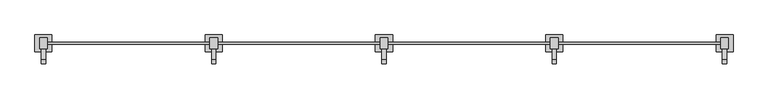
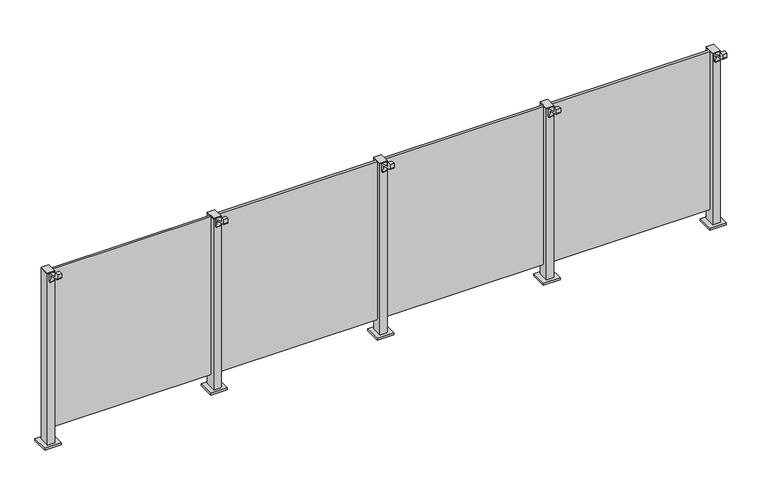
"""IFC4 building model written with IfcOpenShell, lengths in millimetres: railing geometry."""

from ifc_helpers import new_model, si_unit, point, frame, frame_2d, origin, origin_with_axes, place, context, project, spatial, polyline, circle_curve, trimmed, segment, composite_curve, outline, extrude, source, transform, mapped, element, save


def railing_324cd3ab(model_context):
    return source(origin(), model_context, "Body", "SweptSolid", [
        extrude(outline(polyline([(39010.0, 2507.5598727), (39990.0, 2507.5598727), (39990.0, 2494.3598727), (39010.0, 2494.3598727), (39010.0, 2507.5598727)])), frame((0.0, 0.0, 95.0), z_axis=(0.0, 0.0, 1.0), x_axis=(1.0, 0.0, 0.0)), (0.0, 0.0, 1.0), 1005.0),
        extrude(outline(composite_curve([segment(polyline([(2379.6846828, 1145.0), (2403.6846828, 1145.0), (2403.6846828, 1117.1487483), (2467.6846828, 1100.0), (2467.6846828, 1050.0), (2459.0523072, 1050.0)]), True, "CONTINUOUS"), segment(trimmed(circle_curve(frame_2d((2459.0523072, 1053.0)), 3.0), [point((2459.0523072, 1050.0))], [point((2456.0779726, 1052.6084214))], False, "CARTESIAN"), True, "CONTINUOUS"), segment(polyline([(2456.0779726, 1052.6084214), (2451.4711505, 1087.6007097)]), True, "CONTINUOUS"), segment(trimmed(circle_curve(frame_2d((2441.5567019, 1086.2954478)), 10.0), [point((2451.4711505, 1087.6007097))], [point((2444.1448923, 1095.9547061))], True, "CARTESIAN"), True, "CONTINUOUS"), segment(polyline([(2444.1448923, 1095.9547061), (2387.0964924, 1111.2407787)]), True, "CONTINUOUS"), segment(trimmed(circle_curve(frame_2d((2389.6846828, 1120.900037)), 10.0), [point((2387.0964924, 1111.2407787))], [point((2379.6846828, 1120.900037))], False, "CARTESIAN"), True, "CONTINUOUS"), segment(polyline([(2379.6846828, 1120.900037), (2379.6846828, 1145.0)]), True, "CONTINUOUS")], self_intersect=False)), frame((38987.5, 0.0, 0.0), z_axis=(1.0, 0.0, 0.0), x_axis=(0.0, 1.0, 0.0)), (0.0, 0.0, 1.0), 25.0),
        extrude(outline(polyline([(39022.5, 2467.6846828), (38977.5, 2467.6846828), (38977.5, 2532.6846828), (39022.5, 2532.6846828), (39022.5, 2467.6846828)])), frame((0.0, 0.0, 1100.0), z_axis=(0.0, 0.0, 1.0), x_axis=(1.0, 0.0, 0.0)), (0.0, 0.0, 1.0), 5.0),
        extrude(outline(polyline([(39050.0, 2450.1846828), (38950.0, 2450.1846828), (38950.0, 2550.1846828), (39050.0, 2550.1846828), (39050.0, 2450.1846828)])), origin_with_axes(), (0.0, 0.0, 1.0), 12.0),
        extrude(outline(polyline([(39022.5, 2467.6846828), (38977.5, 2467.6846828), (38977.5, 2532.6846828), (39022.5, 2532.6846828), (39022.5, 2467.6846828)])), frame((0.0, 0.0, 12.0), z_axis=(0.0, 0.0, 1.0), x_axis=(1.0, 0.0, 0.0)), (0.0, 0.0, 1.0), 1088.0),
        extrude(outline(polyline([(38010.0, 2507.5598727), (38990.0, 2507.5598727), (38990.0, 2494.3598727), (38010.0, 2494.3598727), (38010.0, 2507.5598727)])), frame((0.0, 0.0, 95.0), z_axis=(0.0, 0.0, 1.0), x_axis=(1.0, 0.0, 0.0)), (0.0, 0.0, 1.0), 1005.0),
        extrude(outline(composite_curve([segment(polyline([(2379.6846828, 1145.0), (2403.6846828, 1145.0), (2403.6846828, 1117.1487483), (2467.6846828, 1100.0), (2467.6846828, 1050.0), (2459.0523072, 1050.0)]), True, "CONTINUOUS"), segment(trimmed(circle_curve(frame_2d((2459.0523072, 1053.0)), 3.0), [point((2459.0523072, 1050.0))], [point((2456.0779726, 1052.6084214))], False, "CARTESIAN"), True, "CONTINUOUS"), segment(polyline([(2456.0779726, 1052.6084214), (2451.4711505, 1087.6007097)]), True, "CONTINUOUS"), segment(trimmed(circle_curve(frame_2d((2441.5567019, 1086.2954478)), 10.0), [point((2451.4711505, 1087.6007097))], [point((2444.1448923, 1095.9547061))], True, "CARTESIAN"), True, "CONTINUOUS"), segment(polyline([(2444.1448923, 1095.9547061), (2387.0964924, 1111.2407787)]), True, "CONTINUOUS"), segment(trimmed(circle_curve(frame_2d((2389.6846828, 1120.900037)), 10.0), [point((2387.0964924, 1111.2407787))], [point((2379.6846828, 1120.900037))], False, "CARTESIAN"), True, "CONTINUOUS"), segment(polyline([(2379.6846828, 1120.900037), (2379.6846828, 1145.0)]), True, "CONTINUOUS")], self_intersect=False)), frame((37987.5, 0.0, 0.0), z_axis=(1.0, 0.0, 0.0), x_axis=(0.0, 1.0, 0.0)), (0.0, 0.0, 1.0), 25.0),
        extrude(outline(polyline([(38022.5, 2467.6846828), (37977.5, 2467.6846828), (37977.5, 2532.6846828), (38022.5, 2532.6846828), (38022.5, 2467.6846828)])), frame((0.0, 0.0, 1100.0), z_axis=(0.0, 0.0, 1.0), x_axis=(1.0, 0.0, 0.0)), (0.0, 0.0, 1.0), 5.0),
        extrude(outline(polyline([(38050.0, 2450.1846828), (37950.0, 2450.1846828), (37950.0, 2550.1846828), (38050.0, 2550.1846828), (38050.0, 2450.1846828)])), origin_with_axes(), (0.0, 0.0, 1.0), 12.0),
        extrude(outline(polyline([(38022.5, 2467.6846828), (37977.5, 2467.6846828), (37977.5, 2532.6846828), (38022.5, 2532.6846828), (38022.5, 2467.6846828)])), frame((0.0, 0.0, 12.0), z_axis=(0.0, 0.0, 1.0), x_axis=(1.0, 0.0, 0.0)), (0.0, 0.0, 1.0), 1088.0),
        extrude(outline(polyline([(37010.0, 2507.5598727), (37990.0, 2507.5598727), (37990.0, 2494.3598727), (37010.0, 2494.3598727), (37010.0, 2507.5598727)])), frame((0.0, 0.0, 95.0), z_axis=(0.0, 0.0, 1.0), x_axis=(1.0, 0.0, 0.0)), (0.0, 0.0, 1.0), 1005.0),
        extrude(outline(composite_curve([segment(polyline([(2379.6846828, 1145.0), (2403.6846828, 1145.0), (2403.6846828, 1117.1487483), (2467.6846828, 1100.0), (2467.6846828, 1050.0), (2459.0523072, 1050.0)]), True, "CONTINUOUS"), segment(trimmed(circle_curve(frame_2d((2459.0523072, 1053.0)), 3.0), [point((2459.0523072, 1050.0))], [point((2456.0779726, 1052.6084214))], False, "CARTESIAN"), True, "CONTINUOUS"), segment(polyline([(2456.0779726, 1052.6084214), (2451.4711505, 1087.6007097)]), True, "CONTINUOUS"), segment(trimmed(circle_curve(frame_2d((2441.5567019, 1086.2954478)), 10.0), [point((2451.4711505, 1087.6007097))], [point((2444.1448923, 1095.9547061))], True, "CARTESIAN"), True, "CONTINUOUS"), segment(polyline([(2444.1448923, 1095.9547061), (2387.0964924, 1111.2407787)]), True, "CONTINUOUS"), segment(trimmed(circle_curve(frame_2d((2389.6846828, 1120.900037)), 10.0), [point((2387.0964924, 1111.2407787))], [point((2379.6846828, 1120.900037))], False, "CARTESIAN"), True, "CONTINUOUS"), segment(polyline([(2379.6846828, 1120.900037), (2379.6846828, 1145.0)]), True, "CONTINUOUS")], self_intersect=False)), frame((36987.5, 0.0, 0.0), z_axis=(1.0, 0.0, 0.0), x_axis=(0.0, 1.0, 0.0)), (0.0, 0.0, 1.0), 25.0),
        extrude(outline(polyline([(37022.5, 2467.6846828), (36977.5, 2467.6846828), (36977.5, 2532.6846828), (37022.5, 2532.6846828), (37022.5, 2467.6846828)])), frame((0.0, 0.0, 1100.0), z_axis=(0.0, 0.0, 1.0), x_axis=(1.0, 0.0, 0.0)), (0.0, 0.0, 1.0), 5.0),
        extrude(outline(polyline([(37050.0, 2450.1846828), (36950.0, 2450.1846828), (36950.0, 2550.1846828), (37050.0, 2550.1846828), (37050.0, 2450.1846828)])), origin_with_axes(), (0.0, 0.0, 1.0), 12.0),
        extrude(outline(polyline([(37022.5, 2467.6846828), (36977.5, 2467.6846828), (36977.5, 2532.6846828), (37022.5, 2532.6846828), (37022.5, 2467.6846828)])), frame((0.0, 0.0, 12.0), z_axis=(0.0, 0.0, 1.0), x_axis=(1.0, 0.0, 0.0)), (0.0, 0.0, 1.0), 1088.0),
        extrude(outline(polyline([(36010.0, 2507.5598727), (36990.0, 2507.5598727), (36990.0, 2494.3598727), (36010.0, 2494.3598727), (36010.0, 2507.5598727)])), frame((0.0, 0.0, 95.0), z_axis=(0.0, 0.0, 1.0), x_axis=(1.0, 0.0, 0.0)), (0.0, 0.0, 1.0), 1005.0),
        extrude(outline(composite_curve([segment(polyline([(2379.6846828, 1145.0), (2403.6846828, 1145.0), (2403.6846828, 1117.1487483), (2467.6846828, 1100.0), (2467.6846828, 1050.0), (2459.0523072, 1050.0)]), True, "CONTINUOUS"), segment(trimmed(circle_curve(frame_2d((2459.0523072, 1053.0)), 3.0), [point((2459.0523072, 1050.0))], [point((2456.0779726, 1052.6084214))], False, "CARTESIAN"), True, "CONTINUOUS"), segment(polyline([(2456.0779726, 1052.6084214), (2451.4711505, 1087.6007097)]), True, "CONTINUOUS"), segment(trimmed(circle_curve(frame_2d((2441.5567019, 1086.2954478)), 10.0), [point((2451.4711505, 1087.6007097))], [point((2444.1448923, 1095.9547061))], True, "CARTESIAN"), True, "CONTINUOUS"), segment(polyline([(2444.1448923, 1095.9547061), (2387.0964924, 1111.2407787)]), True, "CONTINUOUS"), segment(trimmed(circle_curve(frame_2d((2389.6846828, 1120.900037)), 10.0), [point((2387.0964924, 1111.2407787))], [point((2379.6846828, 1120.900037))], False, "CARTESIAN"), True, "CONTINUOUS"), segment(polyline([(2379.6846828, 1120.900037), (2379.6846828, 1145.0)]), True, "CONTINUOUS")], self_intersect=False)), frame((39987.5, 0.0, 0.0), z_axis=(1.0, 0.0, 0.0), x_axis=(0.0, 1.0, 0.0)), (0.0, 0.0, 1.0), 25.0),
        extrude(outline(polyline([(40022.5, 2467.6846828), (39977.5, 2467.6846828), (39977.5, 2532.6846828), (40022.5, 2532.6846828), (40022.5, 2467.6846828)])), frame((0.0, 0.0, 1100.0), z_axis=(0.0, 0.0, 1.0), x_axis=(1.0, 0.0, 0.0)), (0.0, 0.0, 1.0), 5.0),
        extrude(outline(polyline([(40050.0, 2450.1846828), (39950.0, 2450.1846828), (39950.0, 2550.1846828), (40050.0, 2550.1846828), (40050.0, 2450.1846828)])), origin_with_axes(), (0.0, 0.0, 1.0), 12.0),
        extrude(outline(polyline([(40022.5, 2467.6846828), (39977.5, 2467.6846828), (39977.5, 2532.6846828), (40022.5, 2532.6846828), (40022.5, 2467.6846828)])), frame((0.0, 0.0, 12.0), z_axis=(0.0, 0.0, 1.0), x_axis=(1.0, 0.0, 0.0)), (0.0, 0.0, 1.0), 1088.0),
        extrude(outline(composite_curve([segment(polyline([(2379.6846828, 1145.0), (2403.6846828, 1145.0), (2403.6846828, 1117.1487483), (2467.6846828, 1100.0), (2467.6846828, 1050.0), (2459.0523072, 1050.0)]), True, "CONTINUOUS"), segment(trimmed(circle_curve(frame_2d((2459.0523072, 1053.0)), 3.0), [point((2459.0523072, 1050.0))], [point((2456.0779726, 1052.6084214))], False, "CARTESIAN"), True, "CONTINUOUS"), segment(polyline([(2456.0779726, 1052.6084214), (2451.4711505, 1087.6007097)]), True, "CONTINUOUS"), segment(trimmed(circle_curve(frame_2d((2441.5567019, 1086.2954478)), 10.0), [point((2451.4711505, 1087.6007097))], [point((2444.1448923, 1095.9547061))], True, "CARTESIAN"), True, "CONTINUOUS"), segment(polyline([(2444.1448923, 1095.9547061), (2387.0964924, 1111.2407787)]), True, "CONTINUOUS"), segment(trimmed(circle_curve(frame_2d((2389.6846828, 1120.900037)), 10.0), [point((2387.0964924, 1111.2407787))], [point((2379.6846828, 1120.900037))], False, "CARTESIAN"), True, "CONTINUOUS"), segment(polyline([(2379.6846828, 1120.900037), (2379.6846828, 1145.0)]), True, "CONTINUOUS")], self_intersect=False)), frame((35987.5, 0.0, 0.0), z_axis=(1.0, 0.0, 0.0), x_axis=(0.0, 1.0, 0.0)), (0.0, 0.0, 1.0), 25.0),
        extrude(outline(polyline([(36022.5, 2467.6846828), (35977.5, 2467.6846828), (35977.5, 2532.6846828), (36022.5, 2532.6846828), (36022.5, 2467.6846828)])), frame((0.0, 0.0, 1100.0), z_axis=(0.0, 0.0, 1.0), x_axis=(1.0, 0.0, 0.0)), (0.0, 0.0, 1.0), 5.0),
        extrude(outline(polyline([(36050.0, 2450.1846828), (35950.0, 2450.1846828), (35950.0, 2550.1846828), (36050.0, 2550.1846828), (36050.0, 2450.1846828)])), origin_with_axes(), (0.0, 0.0, 1.0), 12.0),
        extrude(outline(polyline([(36022.5, 2467.6846828), (35977.5, 2467.6846828), (35977.5, 2532.6846828), (36022.5, 2532.6846828), (36022.5, 2467.6846828)])), frame((0.0, 0.0, 12.0), z_axis=(0.0, 0.0, 1.0), x_axis=(1.0, 0.0, 0.0)), (0.0, 0.0, 1.0), 1088.0),
    ])


if __name__ == "__main__":
    model = new_model("IFC4")
    model_context = context("Model", 3, world=origin())
    ifc_project = project(units=[si_unit("LENGTHUNIT", "METRE", prefix="MILLI")], contexts=[model_context])
    site = spatial("IfcSite", under=ifc_project)
    building = spatial("IfcBuilding", under=site)
    placement = place(None, origin())
    railing_shape = railing_324cd3ab(model_context)
    element("IfcRailing", 1, at=placement, inside=building, context=model_context, shape_type="MappedRepresentation", body=[
        mapped(railing_shape, transform((0.0, 0.0, 0.0), x_axis=(1.0, 0.0, 0.0), y_axis=(0.0, 1.0, 0.0), z_axis=(0.0, 0.0, 1.0))),
    ])
    save(model, "model.ifc")
